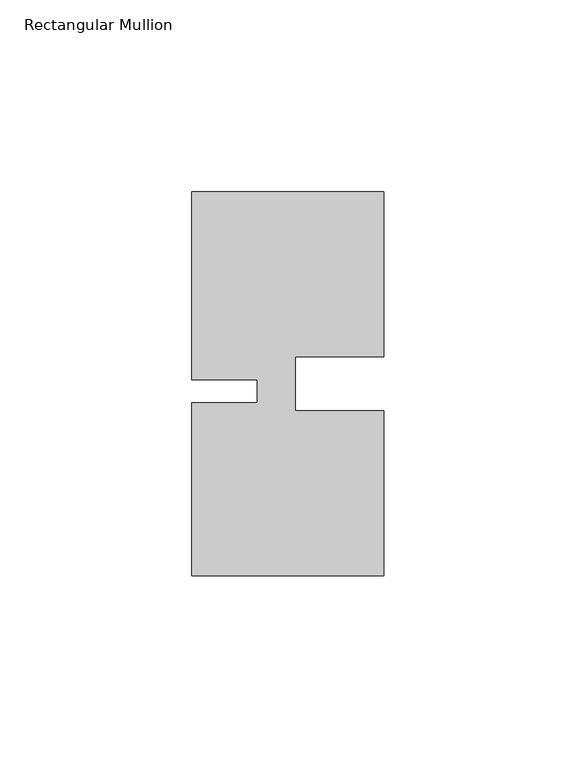
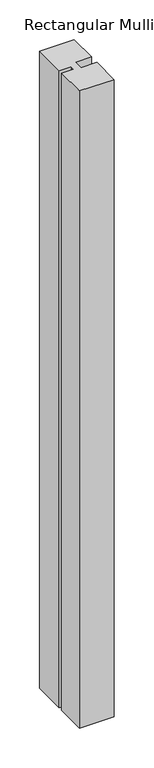
"""IFC4 building model written with IfcOpenShell, lengths in millimetres: member geometry, Rectangular Mullion."""

from ifc_helpers import new_model, si_unit, frame, origin, place, context, project, spatial, polyline, outline, extrude, source, transform, mapped, element, save


def rectangular_mullion_6ad71799(model_context):
    return source(origin(), model_context, "Body", "SweptSolid", [
        extrude(outline(polyline([(-23.0000341, -5.000031), (-4.2e-06, -5.0000287), (0.0, -48.0000271), (-50.0, -48.000032), (-50.0000044, -3.000032), (-33.0004661, -3.0000303), (-33.0004667, 2.999987), (-50.000005, 2.9999853), (-50.0000098, 51.999968), (-3.44e-05, 51.999968), (-3.44e-05, 8.9999707), (-23.0000354, 8.9999684), (-23.0000341, -5.000031)])), frame((0.0, 0.0, -974.9999791), z_axis=(0.0, 0.0, 1.0), x_axis=(1.0, 0.0, 0.0)), (0.0, 0.0, 1.0), 974.9999791),
    ])


if __name__ == "__main__":
    model = new_model("IFC4")
    model_context = context("Model", 3, world=origin())
    ifc_project = project(units=[si_unit("LENGTHUNIT", "METRE", prefix="MILLI")], contexts=[model_context])
    site = spatial("IfcSite", under=ifc_project)
    building = spatial("IfcBuilding", under=site)
    placement = place(None, origin())
    rectangular_mullion_shape = rectangular_mullion_6ad71799(model_context)
    element("IfcMember", 1, ObjectType="Rectangular Mullion", at=placement, inside=building, context=model_context, shape_type="MappedRepresentation", body=[
        mapped(rectangular_mullion_shape, transform((0.0, 0.0, 0.0), x_axis=(1.0, 0.0, 0.0), y_axis=(0.0, 1.0, 0.0), z_axis=(0.0, 0.0, 1.0))),
    ])
    save(model, "model.ifc")
